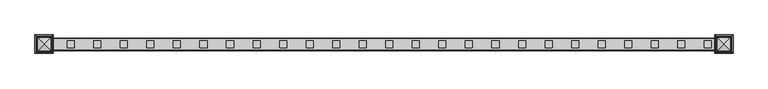
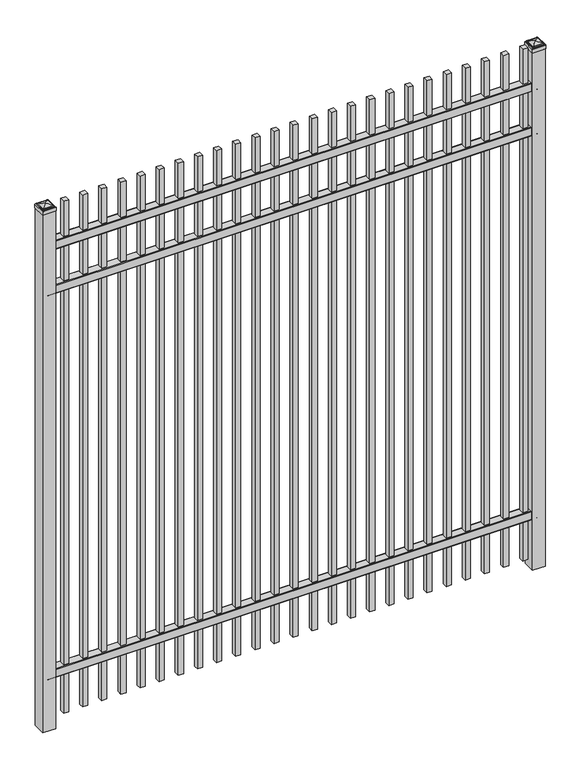
"""IFC4 building model written with IfcOpenShell, lengths in millimetres: railing geometry."""

from ifc_helpers import new_model, si_unit, point, frame, frame_2d, origin, origin_with_axes, place, context, project, spatial, polyline, circle_curve, ellipse_curve, trimmed, segment, composite_curve, outline, extrude, source, transform, mapped, element, save
from ifc_brep_helpers import plane_surface, cylinder_surface, advanced_brep


def railing_30c58a3b(model_context):
    return source(origin(), model_context, "Body", "SolidModel", [
        extrude(outline(composite_curve([segment(polyline([(5777.9139761, 304.8), (5815.969541, 304.8)]), True, "CONTINUOUS"), segment(trimmed(circle_curve(frame_2d((5815.969541, 301.625)), 3.175), [point((5815.969541, 304.8))], [point((5819.144541, 301.625))], False, "CARTESIAN"), True, "CONTINUOUS"), segment(polyline([(5819.144541, 301.625), (5819.144541, 262.1439893)]), True, "CONTINUOUS"), segment(trimmed(circle_curve(frame_2d((5817.3505518, 262.1439893)), 1.7939893), [point((5819.144541, 262.1439893))], [point((5817.3505518, 260.35))], False, "CARTESIAN"), True, "CONTINUOUS"), segment(polyline([(5817.3505518, 260.35), (5814.7590713, 260.35)]), True, "CONTINUOUS"), segment(trimmed(circle_curve(frame_2d((5814.7590713, 262.1359375)), 1.7859375), [point((5814.7590713, 260.35))], [point((5812.9755813, 262.0424688))], False, "CARTESIAN"), True, "CONTINUOUS"), segment(polyline([(5812.9755813, 262.0424688), (5811.4025867, 292.0569942), (5782.4364954, 292.0569942), (5780.8635007, 262.0424688)]), True, "CONTINUOUS"), segment(trimmed(circle_curve(frame_2d((5779.0800108, 262.1359375)), 1.7859375), [point((5780.8635007, 262.0424688))], [point((5779.0800108, 260.35))], False, "CARTESIAN"), True, "CONTINUOUS"), segment(polyline([(5779.0800108, 260.35), (5776.4804785, 260.35)]), True, "CONTINUOUS"), segment(trimmed(circle_curve(frame_2d((5776.4804785, 262.1359375)), 1.7859375), [point((5776.4804785, 260.35))], [point((5774.694541, 262.1359375))], False, "CARTESIAN"), True, "CONTINUOUS"), segment(polyline([(5774.694541, 262.1359375), (5774.694541, 301.5805649)]), True, "CONTINUOUS"), segment(trimmed(circle_curve(frame_2d((5777.9139761, 301.5805649)), 3.2194351), [point((5774.694541, 301.5805649))], [point((5777.9139761, 304.8))], False, "CARTESIAN"), True, "CONTINUOUS")], self_intersect=False)), frame((6913.3350064, 0.0, 0.0), z_axis=(1.0, 0.0, 0.0), x_axis=(0.0, 1.0, 0.0)), (0.0, 0.0, 1.0), 2438.4),
        extrude(outline(composite_curve([segment(polyline([(5777.9139761, 2324.1), (5815.969541, 2324.1)]), True, "CONTINUOUS"), segment(trimmed(circle_curve(frame_2d((5815.969541, 2320.925)), 3.175), [point((5815.969541, 2324.1))], [point((5819.144541, 2320.925))], False, "CARTESIAN"), True, "CONTINUOUS"), segment(polyline([(5819.144541, 2320.925), (5819.144541, 2281.4439893)]), True, "CONTINUOUS"), segment(trimmed(circle_curve(frame_2d((5817.3505518, 2281.4439893)), 1.7939893), [point((5819.144541, 2281.4439893))], [point((5817.3505518, 2279.65))], False, "CARTESIAN"), True, "CONTINUOUS"), segment(polyline([(5817.3505518, 2279.65), (5814.7590713, 2279.65)]), True, "CONTINUOUS"), segment(trimmed(circle_curve(frame_2d((5814.7590713, 2281.4359375)), 1.7859375), [point((5814.7590713, 2279.65))], [point((5812.9755813, 2281.3424688))], False, "CARTESIAN"), True, "CONTINUOUS"), segment(polyline([(5812.9755813, 2281.3424688), (5811.4025867, 2311.3569942), (5782.4364954, 2311.3569942), (5780.8635007, 2281.3424688)]), True, "CONTINUOUS"), segment(trimmed(circle_curve(frame_2d((5779.0800108, 2281.4359375)), 1.7859375), [point((5780.8635007, 2281.3424688))], [point((5779.0800108, 2279.65))], False, "CARTESIAN"), True, "CONTINUOUS"), segment(polyline([(5779.0800108, 2279.65), (5776.4804785, 2279.65)]), True, "CONTINUOUS"), segment(trimmed(circle_curve(frame_2d((5776.4804785, 2281.4359375)), 1.7859375), [point((5776.4804785, 2279.65))], [point((5774.694541, 2281.4359375))], False, "CARTESIAN"), True, "CONTINUOUS"), segment(polyline([(5774.694541, 2281.4359375), (5774.694541, 2320.8805649)]), True, "CONTINUOUS"), segment(trimmed(circle_curve(frame_2d((5777.9139761, 2320.8805649)), 3.2194351), [point((5774.694541, 2320.8805649))], [point((5777.9139761, 2324.1))], False, "CARTESIAN"), True, "CONTINUOUS")], self_intersect=False)), frame((6913.3350064, 0.0, 0.0), z_axis=(1.0, 0.0, 0.0), x_axis=(0.0, 1.0, 0.0)), (0.0, 0.0, 1.0), 2438.4),
        extrude(outline(composite_curve([segment(polyline([(5777.9139761, 2557.4625), (5815.969541, 2557.4625)]), True, "CONTINUOUS"), segment(trimmed(circle_curve(frame_2d((5815.969541, 2554.2875)), 3.175), [point((5815.969541, 2557.4625))], [point((5819.144541, 2554.2875))], False, "CARTESIAN"), True, "CONTINUOUS"), segment(polyline([(5819.144541, 2554.2875), (5819.144541, 2514.8064893)]), True, "CONTINUOUS"), segment(trimmed(circle_curve(frame_2d((5817.3505518, 2514.8064893)), 1.7939893), [point((5819.144541, 2514.8064893))], [point((5817.3505518, 2513.0125))], False, "CARTESIAN"), True, "CONTINUOUS"), segment(polyline([(5817.3505518, 2513.0125), (5814.7590713, 2513.0125)]), True, "CONTINUOUS"), segment(trimmed(circle_curve(frame_2d((5814.7590713, 2514.7984375)), 1.7859375), [point((5814.7590713, 2513.0125))], [point((5812.9755813, 2514.7049688))], False, "CARTESIAN"), True, "CONTINUOUS"), segment(polyline([(5812.9755813, 2514.7049688), (5811.4025867, 2544.7194942), (5782.4364954, 2544.7194942), (5780.8635007, 2514.7049688)]), True, "CONTINUOUS"), segment(trimmed(circle_curve(frame_2d((5779.0800108, 2514.7984375)), 1.7859375), [point((5780.8635007, 2514.7049688))], [point((5779.0800108, 2513.0125))], False, "CARTESIAN"), True, "CONTINUOUS"), segment(polyline([(5779.0800108, 2513.0125), (5776.4804785, 2513.0125)]), True, "CONTINUOUS"), segment(trimmed(circle_curve(frame_2d((5776.4804785, 2514.7984375)), 1.7859375), [point((5776.4804785, 2513.0125))], [point((5774.694541, 2514.7984375))], False, "CARTESIAN"), True, "CONTINUOUS"), segment(polyline([(5774.694541, 2514.7984375), (5774.694541, 2554.2430649)]), True, "CONTINUOUS"), segment(trimmed(circle_curve(frame_2d((5777.9139761, 2554.2430649)), 3.2194351), [point((5774.694541, 2554.2430649))], [point((5777.9139761, 2557.4625))], False, "CARTESIAN"), True, "CONTINUOUS")], self_intersect=False)), frame((6913.3350064, 0.0, 0.0), z_axis=(1.0, 0.0, 0.0), x_axis=(0.0, 1.0, 0.0)), (0.0, 0.0, 1.0), 2438.4),
        extrude(outline(polyline([(9281.8850064, 5809.619541), (9307.2850064, 5809.619541), (9307.2850064, 5784.219541), (9281.8850064, 5784.219541), (9281.8850064, 5809.619541)])), frame((0.0, 0.0, 50.8), z_axis=(0.0, 0.0, 1.0), x_axis=(1.0, 0.0, 0.0)), (0.0, 0.0, 1.0), 2692.4),
        extrude(outline(polyline([(9186.6350064, 5809.619541), (9212.0350064, 5809.619541), (9212.0350064, 5784.219541), (9186.6350064, 5784.219541), (9186.6350064, 5809.619541)])), frame((0.0, 0.0, 50.8), z_axis=(0.0, 0.0, 1.0), x_axis=(1.0, 0.0, 0.0)), (0.0, 0.0, 1.0), 2692.4),
        extrude(outline(polyline([(9091.3850064, 5809.619541), (9116.7850064, 5809.619541), (9116.7850064, 5784.219541), (9091.3850064, 5784.219541), (9091.3850064, 5809.619541)])), frame((0.0, 0.0, 50.8), z_axis=(0.0, 0.0, 1.0), x_axis=(1.0, 0.0, 0.0)), (0.0, 0.0, 1.0), 2692.4),
        extrude(outline(polyline([(8996.1350064, 5809.619541), (9021.5350064, 5809.619541), (9021.5350064, 5784.219541), (8996.1350064, 5784.219541), (8996.1350064, 5809.619541)])), frame((0.0, 0.0, 50.8), z_axis=(0.0, 0.0, 1.0), x_axis=(1.0, 0.0, 0.0)), (0.0, 0.0, 1.0), 2692.4),
        extrude(outline(polyline([(8900.8850064, 5809.619541), (8926.2850064, 5809.619541), (8926.2850064, 5784.219541), (8900.8850064, 5784.219541), (8900.8850064, 5809.619541)])), frame((0.0, 0.0, 50.8), z_axis=(0.0, 0.0, 1.0), x_axis=(1.0, 0.0, 0.0)), (0.0, 0.0, 1.0), 2692.4),
        extrude(outline(polyline([(8805.6350064, 5809.619541), (8831.0350064, 5809.619541), (8831.0350064, 5784.219541), (8805.6350064, 5784.219541), (8805.6350064, 5809.619541)])), frame((0.0, 0.0, 50.8), z_axis=(0.0, 0.0, 1.0), x_axis=(1.0, 0.0, 0.0)), (0.0, 0.0, 1.0), 2692.4),
        extrude(outline(polyline([(8710.3850064, 5809.619541), (8735.7850064, 5809.619541), (8735.7850064, 5784.219541), (8710.3850064, 5784.219541), (8710.3850064, 5809.619541)])), frame((0.0, 0.0, 50.8), z_axis=(0.0, 0.0, 1.0), x_axis=(1.0, 0.0, 0.0)), (0.0, 0.0, 1.0), 2692.4),
        extrude(outline(polyline([(8615.1350064, 5809.619541), (8640.5350064, 5809.619541), (8640.5350064, 5784.219541), (8615.1350064, 5784.219541), (8615.1350064, 5809.619541)])), frame((0.0, 0.0, 50.8), z_axis=(0.0, 0.0, 1.0), x_axis=(1.0, 0.0, 0.0)), (0.0, 0.0, 1.0), 2692.4),
        extrude(outline(polyline([(8519.8850064, 5809.619541), (8545.2850064, 5809.619541), (8545.2850064, 5784.219541), (8519.8850064, 5784.219541), (8519.8850064, 5809.619541)])), frame((0.0, 0.0, 50.8), z_axis=(0.0, 0.0, 1.0), x_axis=(1.0, 0.0, 0.0)), (0.0, 0.0, 1.0), 2692.4),
        extrude(outline(polyline([(8424.6350064, 5809.619541), (8450.0350064, 5809.619541), (8450.0350064, 5784.219541), (8424.6350064, 5784.219541), (8424.6350064, 5809.619541)])), frame((0.0, 0.0, 50.8), z_axis=(0.0, 0.0, 1.0), x_axis=(1.0, 0.0, 0.0)), (0.0, 0.0, 1.0), 2692.4),
        extrude(outline(polyline([(8329.3850064, 5809.619541), (8354.7850064, 5809.619541), (8354.7850064, 5784.219541), (8329.3850064, 5784.219541), (8329.3850064, 5809.619541)])), frame((0.0, 0.0, 50.8), z_axis=(0.0, 0.0, 1.0), x_axis=(1.0, 0.0, 0.0)), (0.0, 0.0, 1.0), 2692.4),
        extrude(outline(polyline([(8234.1350064, 5809.619541), (8259.5350064, 5809.619541), (8259.5350064, 5784.219541), (8234.1350064, 5784.219541), (8234.1350064, 5809.619541)])), frame((0.0, 0.0, 50.8), z_axis=(0.0, 0.0, 1.0), x_axis=(1.0, 0.0, 0.0)), (0.0, 0.0, 1.0), 2692.4),
        extrude(outline(polyline([(8138.8850064, 5809.619541), (8164.2850064, 5809.619541), (8164.2850064, 5784.219541), (8138.8850064, 5784.219541), (8138.8850064, 5809.619541)])), frame((0.0, 0.0, 50.8), z_axis=(0.0, 0.0, 1.0), x_axis=(1.0, 0.0, 0.0)), (0.0, 0.0, 1.0), 2692.4),
        extrude(outline(polyline([(8043.6350064, 5809.619541), (8069.0350064, 5809.619541), (8069.0350064, 5784.219541), (8043.6350064, 5784.219541), (8043.6350064, 5809.619541)])), frame((0.0, 0.0, 50.8), z_axis=(0.0, 0.0, 1.0), x_axis=(1.0, 0.0, 0.0)), (0.0, 0.0, 1.0), 2692.4),
        extrude(outline(polyline([(7948.3850064, 5809.619541), (7973.7850064, 5809.619541), (7973.7850064, 5784.219541), (7948.3850064, 5784.219541), (7948.3850064, 5809.619541)])), frame((0.0, 0.0, 50.8), z_axis=(0.0, 0.0, 1.0), x_axis=(1.0, 0.0, 0.0)), (0.0, 0.0, 1.0), 2692.4),
        extrude(outline(polyline([(7853.1350064, 5809.619541), (7878.5350064, 5809.619541), (7878.5350064, 5784.219541), (7853.1350064, 5784.219541), (7853.1350064, 5809.619541)])), frame((0.0, 0.0, 50.8), z_axis=(0.0, 0.0, 1.0), x_axis=(1.0, 0.0, 0.0)), (0.0, 0.0, 1.0), 2692.4),
        extrude(outline(polyline([(7757.8850064, 5809.619541), (7783.2850064, 5809.619541), (7783.2850064, 5784.219541), (7757.8850064, 5784.219541), (7757.8850064, 5809.619541)])), frame((0.0, 0.0, 50.8), z_axis=(0.0, 0.0, 1.0), x_axis=(1.0, 0.0, 0.0)), (0.0, 0.0, 1.0), 2692.4),
        extrude(outline(polyline([(7662.6350064, 5809.619541), (7688.0350064, 5809.619541), (7688.0350064, 5784.219541), (7662.6350064, 5784.219541), (7662.6350064, 5809.619541)])), frame((0.0, 0.0, 50.8), z_axis=(0.0, 0.0, 1.0), x_axis=(1.0, 0.0, 0.0)), (0.0, 0.0, 1.0), 2692.4),
        extrude(outline(polyline([(7567.3850064, 5809.619541), (7592.7850064, 5809.619541), (7592.7850064, 5784.219541), (7567.3850064, 5784.219541), (7567.3850064, 5809.619541)])), frame((0.0, 0.0, 50.8), z_axis=(0.0, 0.0, 1.0), x_axis=(1.0, 0.0, 0.0)), (0.0, 0.0, 1.0), 2692.4),
        extrude(outline(polyline([(7472.1350064, 5809.619541), (7497.5350064, 5809.619541), (7497.5350064, 5784.219541), (7472.1350064, 5784.219541), (7472.1350064, 5809.619541)])), frame((0.0, 0.0, 50.8), z_axis=(0.0, 0.0, 1.0), x_axis=(1.0, 0.0, 0.0)), (0.0, 0.0, 1.0), 2692.4),
        extrude(outline(polyline([(7376.8850064, 5809.619541), (7402.2850064, 5809.619541), (7402.2850064, 5784.219541), (7376.8850064, 5784.219541), (7376.8850064, 5809.619541)])), frame((0.0, 0.0, 50.8), z_axis=(0.0, 0.0, 1.0), x_axis=(1.0, 0.0, 0.0)), (0.0, 0.0, 1.0), 2692.4),
        extrude(outline(polyline([(7281.6350064, 5809.619541), (7307.0350064, 5809.619541), (7307.0350064, 5784.219541), (7281.6350064, 5784.219541), (7281.6350064, 5809.619541)])), frame((0.0, 0.0, 50.8), z_axis=(0.0, 0.0, 1.0), x_axis=(1.0, 0.0, 0.0)), (0.0, 0.0, 1.0), 2692.4),
        extrude(outline(polyline([(7186.3850064, 5809.619541), (7211.7850064, 5809.619541), (7211.7850064, 5784.219541), (7186.3850064, 5784.219541), (7186.3850064, 5809.619541)])), frame((0.0, 0.0, 50.8), z_axis=(0.0, 0.0, 1.0), x_axis=(1.0, 0.0, 0.0)), (0.0, 0.0, 1.0), 2692.4),
        extrude(outline(polyline([(7091.1350064, 5809.619541), (7116.5350064, 5809.619541), (7116.5350064, 5784.219541), (7091.1350064, 5784.219541), (7091.1350064, 5809.619541)])), frame((0.0, 0.0, 50.8), z_axis=(0.0, 0.0, 1.0), x_axis=(1.0, 0.0, 0.0)), (0.0, 0.0, 1.0), 2692.4),
        extrude(outline(polyline([(6995.8850064, 5809.619541), (7021.2850064, 5809.619541), (7021.2850064, 5784.219541), (6995.8850064, 5784.219541), (6995.8850064, 5809.619541)])), frame((0.0, 0.0, 50.8), z_axis=(0.0, 0.0, 1.0), x_axis=(1.0, 0.0, 0.0)), (0.0, 0.0, 1.0), 2692.4),
        extrude(outline(polyline([(9383.4850064, 5828.669541), (9383.4850064, 5765.169541), (9319.9850064, 5765.169541), (9319.9850064, 5828.669541), (9383.4850064, 5828.669541)])), origin_with_axes(), (0.0, 0.0, 1.0), 2722.5625),
        advanced_brep(
        [(9318.3975064, 5830.257041, 2740.81875), (9318.3975064, 5830.257041, 2722.5625), (9318.3975064, 5763.582041, 2722.5625), (9318.3975064, 5763.582041, 2740.81875), (9320.7787564, 5827.875791, 2743.2), (9320.7787564, 5765.963291, 2743.2), (9323.1600064, 5825.494541, 2745.58125), (9323.1600064, 5825.494541, 2743.2), (9323.1600064, 5768.344541, 2743.2), (9323.1600064, 5768.344541, 2745.58125), (9325.5412564, 5823.113291, 2747.9625), (9325.5412564, 5770.725791, 2747.9625), (9351.7350064, 5796.919541, 2754.3125), (9327.9225064, 5820.732041, 2747.9625), (9327.9225064, 5773.107041, 2747.9625), (9385.0725064, 5763.582041, 2722.5625), (9385.0725064, 5763.582041, 2740.81875), (9382.6912564, 5765.963291, 2743.2), (9380.3100064, 5768.344541, 2743.2), (9380.3100064, 5768.344541, 2745.58125), (9377.9287564, 5770.725791, 2747.9625), (9375.5475064, 5773.107041, 2747.9625), (9385.0725064, 5830.257041, 2722.5625), (9385.0725064, 5830.257041, 2740.81875), (9382.6912564, 5827.875791, 2743.2), (9380.3100064, 5825.494541, 2743.2), (9380.3100064, 5825.494541, 2745.58125), (9377.9287564, 5823.113291, 2747.9625), (9375.5475064, 5820.732041, 2747.9625)],
        [
            (0, 1),
            (1, 2),
            (2, 3),
            (3, 0),
            (4, 0, ellipse_curve(frame((9320.7787564, 5827.875791, 2740.81875), z_axis=(-0.70710678118655, -0.7071067811865449, 0.0), x_axis=(-0.7071067811865448, 0.7071067811865501, 0.0)), 3.367596, 2.38125)),
            (3, 5, ellipse_curve(frame((9320.7787564, 5765.963291, 2740.81875), z_axis=(-0.7071067811865449, 0.70710678118655, 0.0), x_axis=(0.7071067811865499, 0.707106781186545, 0.0)), 3.367596, 2.38125)),
            (5, 4),
            (6, 7),
            (7, 8),
            (8, 9),
            (9, 6),
            (10, 6, ellipse_curve(frame((9325.5412564, 5823.113291, 2745.58125), z_axis=(-0.70710678118655, -0.7071067811865449, 0.0), x_axis=(-0.7071067811865448, 0.7071067811865501, 0.0)), 3.367596, 2.38125)),
            (9, 11, ellipse_curve(frame((9325.5412564, 5770.725791, 2745.58125), z_axis=(-0.7071067811865449, 0.70710678118655, 0.0), x_axis=(0.7071067811865499, 0.707106781186545, 0.0)), 3.367596, 2.38125)),
            (11, 10),
            (12, 13, ellipse_curve(frame((9351.7350064, 5796.919541, 2706.4890625), z_axis=(-0.70710678118655, -0.7071067811865449, 0.0), x_axis=(-0.7071067811865448, 0.7071067811865501, 0.0)), 67.6325539, 47.8234375)),
            (13, 14),
            (14, 12, ellipse_curve(frame((9351.7350064, 5796.919541, 2706.4890625), z_axis=(-0.7071067811865449, 0.70710678118655, 0.0), x_axis=(0.7071067811865499, 0.707106781186545, 0.0)), 67.6325539, 47.8234375)),
            (2, 15),
            (15, 16),
            (16, 3),
            (16, 17, ellipse_curve(frame((9382.6912564, 5765.963291, 2740.81875), z_axis=(-0.70710678118655, -0.707106781186545, 0.0), x_axis=(-0.707106781186545, 0.70710678118655, 0.0)), 3.367596, 2.38125)),
            (17, 5),
            (8, 18),
            (18, 19),
            (19, 9),
            (19, 20, ellipse_curve(frame((9377.9287564, 5770.725791, 2745.58125), z_axis=(-0.70710678118655, -0.707106781186545, 0.0), x_axis=(-0.707106781186545, 0.70710678118655, 0.0)), 3.367596, 2.38125)),
            (20, 11),
            (14, 21),
            (21, 12, ellipse_curve(frame((9351.7350064, 5796.919541, 2706.4890625), z_axis=(-0.70710678118655, -0.707106781186545, 0.0), x_axis=(-0.707106781186545, 0.70710678118655, 0.0)), 67.6325539, 47.8234375)),
            (15, 22),
            (22, 23),
            (23, 16),
            (23, 24, ellipse_curve(frame((9382.6912564, 5827.875791, 2740.81875), z_axis=(0.707106781186545, -0.7071067811865499, 0.0), x_axis=(-0.7071067811865497, -0.7071067811865452, 0.0)), 3.367596, 2.38125)),
            (24, 17),
            (18, 25),
            (25, 26),
            (26, 19),
            (26, 27, ellipse_curve(frame((9377.9287564, 5823.113291, 2745.58125), z_axis=(0.707106781186545, -0.7071067811865499, 0.0), x_axis=(-0.7071067811865497, -0.7071067811865452, 0.0)), 3.367596, 2.38125)),
            (27, 20),
            (21, 28),
            (28, 12, ellipse_curve(frame((9351.7350064, 5796.919541, 2706.4890625), z_axis=(0.707106781186545, -0.7071067811865499, 0.0), x_axis=(-0.7071067811865497, -0.7071067811865452, 0.0)), 67.6325539, 47.8234375)),
            (22, 1),
            (0, 23),
            (4, 24),
            (7, 25),
            (6, 26),
            (10, 27),
            (13, 28),
        ],
        [
            plane_surface(frame((9318.3975064, 5830.257041, 2722.5625), z_axis=(-1.0, 0.0, 0.0), x_axis=(0.0, -1.0, 0.0))),
            cylinder_surface(frame((9320.7787564, 5828.669541, 2740.81875), z_axis=(0.0, 1.0, 0.0), x_axis=(1.0, 0.0, 0.0)), 2.38125),
            plane_surface(frame((9323.1600064, 5825.494541, 2743.2), z_axis=(-1.0, 0.0, 0.0), x_axis=(0.0, -1.0, 0.0))),
            cylinder_surface(frame((9325.5412564, 5828.669541, 2745.58125), z_axis=(0.0, 1.0, 0.0), x_axis=(1.0, 0.0, 0.0)), 2.38125),
            cylinder_surface(frame((9351.7350064, 5828.669541, 2706.4890625), z_axis=(0.0, 1.0, 0.0), x_axis=(1.0, 0.0, 0.0)), 47.8234375),
            plane_surface(frame((9318.3975064, 5763.582041, 2722.5625), z_axis=(0.0, -1.0, 0.0), x_axis=(1.0, 0.0, 0.0))),
            cylinder_surface(frame((9319.9850064, 5765.963291, 2740.81875), z_axis=(-1.0, 0.0, 0.0), x_axis=(0.0, 1.0, 0.0)), 2.38125),
            plane_surface(frame((9323.1600064, 5768.344541, 2743.2), z_axis=(0.0, -1.0, 0.0), x_axis=(1.0, 0.0, 0.0))),
            cylinder_surface(frame((9319.9850064, 5770.725791, 2745.58125), z_axis=(-1.0, 0.0, 0.0), x_axis=(0.0, 1.0, 0.0)), 2.38125),
            cylinder_surface(frame((9319.9850064, 5796.919541, 2706.4890625), z_axis=(-1.0, 0.0, 0.0), x_axis=(0.0, 1.0, 0.0)), 47.8234375),
            plane_surface(frame((9385.0725064, 5763.582041, 2722.5625), z_axis=(1.0, 0.0, 0.0), x_axis=(0.0, 1.0, 0.0))),
            cylinder_surface(frame((9382.6912564, 5765.169541, 2740.81875), z_axis=(0.0, -1.0, 0.0), x_axis=(-1.0, 0.0, 0.0)), 2.38125),
            plane_surface(frame((9380.3100064, 5768.344541, 2743.2), z_axis=(1.0, 0.0, 0.0), x_axis=(0.0, 1.0, 0.0))),
            cylinder_surface(frame((9377.9287564, 5765.169541, 2745.58125), z_axis=(0.0, -1.0, 0.0), x_axis=(-1.0, 0.0, 0.0)), 2.38125),
            cylinder_surface(frame((9351.7350064, 5765.169541, 2706.4890625), z_axis=(0.0, -1.0, 0.0), x_axis=(-1.0, 0.0, 0.0)), 47.8234375),
            plane_surface(frame((9385.0725064, 5830.257041, 2722.5625), z_axis=(0.0, 1.0, 0.0), x_axis=(-1.0, 0.0, 0.0))),
            cylinder_surface(frame((9383.4850064, 5827.875791, 2740.81875), z_axis=(1.0, 0.0, 0.0), x_axis=(0.0, -1.0, 0.0)), 2.38125),
            plane_surface(frame((9382.6912564, 5827.875791, 2743.2), z_axis=(0.0, 0.0, 1.0), x_axis=(-1.0, 0.0, 0.0))),
            plane_surface(frame((9380.3100064, 5825.494541, 2743.2), z_axis=(0.0, 1.0, 0.0), x_axis=(-1.0, 0.0, 0.0))),
            cylinder_surface(frame((9383.4850064, 5823.113291, 2745.58125), z_axis=(1.0, 0.0, 0.0), x_axis=(0.0, -1.0, 0.0)), 2.38125),
            plane_surface(frame((9377.9287564, 5823.113291, 2747.9625), z_axis=(0.0, 0.0, 1.0), x_axis=(-1.0, 0.0, 0.0))),
            cylinder_surface(frame((9383.4850064, 5796.919541, 2706.4890625), z_axis=(1.0, 0.0, 0.0), x_axis=(0.0, -1.0, 0.0)), 47.8234375),
            plane_surface(frame((9351.7350064, 5796.919541, 2722.5625), z_axis=(0.0, 0.0, -1.0), x_axis=(-1.0, 0.0, 0.0))),
        ],
        [
            (0, [[1, 2, 3, 4]]),
            (1, [[5, -4, 6, 7]]),
            (2, [[8, 9, 10, 11]]),
            (3, [[12, -11, 13, 14]]),
            (4, [[15, 16, 17]]),
            (5, [[-3, 18, 19, 20]]),
            (6, [[-6, -20, 21, 22]]),
            (7, [[-10, 23, 24, 25]]),
            (8, [[-13, -25, 26, 27]]),
            (9, [[-17, 28, 29]]),
            (10, [[-19, 30, 31, 32]]),
            (11, [[-21, -32, 33, 34]]),
            (12, [[-24, 35, 36, 37]]),
            (13, [[-26, -37, 38, 39]]),
            (14, [[-29, 40, 41]]),
            (15, [[-31, 42, -1, 43]]),
            (16, [[-33, -43, -5, 44]]),
            (17, [[-22, -34, -44, -7], [45, -35, -23, -9]]),
            (18, [[-36, -45, -8, 46]]),
            (19, [[-38, -46, -12, 47]]),
            (20, [[-27, -39, -47, -14], [48, -40, -28, -16]]),
            (21, [[-41, -48, -15]]),
            (22, [[-42, -30, -18, -2]]),
        ],
    ),
        extrude(outline(polyline([(6945.0850064, 5828.669541), (6945.0850064, 5765.169541), (6881.5850064, 5765.169541), (6881.5850064, 5828.669541), (6945.0850064, 5828.669541)])), origin_with_axes(), (0.0, 0.0, 1.0), 2722.5625),
        advanced_brep(
        [(6879.9975064, 5830.257041, 2740.81875), (6879.9975064, 5830.257041, 2722.5625), (6879.9975064, 5763.582041, 2722.5625), (6879.9975064, 5763.582041, 2740.81875), (6882.3787564, 5827.875791, 2743.2), (6882.3787564, 5765.963291, 2743.2), (6884.7600064, 5825.494541, 2745.58125), (6884.7600064, 5825.494541, 2743.2), (6884.7600064, 5768.344541, 2743.2), (6884.7600064, 5768.344541, 2745.58125), (6887.1412564, 5823.113291, 2747.9625), (6887.1412564, 5770.725791, 2747.9625), (6913.3350064, 5796.919541, 2754.3125), (6889.5225064, 5820.732041, 2747.9625), (6889.5225064, 5773.107041, 2747.9625), (6946.6725064, 5763.582041, 2722.5625), (6946.6725064, 5763.582041, 2740.81875), (6944.2912564, 5765.963291, 2743.2), (6941.9100064, 5768.344541, 2743.2), (6941.9100064, 5768.344541, 2745.58125), (6939.5287564, 5770.725791, 2747.9625), (6937.1475064, 5773.107041, 2747.9625), (6946.6725064, 5830.257041, 2722.5625), (6946.6725064, 5830.257041, 2740.81875), (6944.2912564, 5827.875791, 2743.2), (6941.9100064, 5825.494541, 2743.2), (6941.9100064, 5825.494541, 2745.58125), (6939.5287564, 5823.113291, 2747.9625), (6937.1475064, 5820.732041, 2747.9625)],
        [
            (0, 1),
            (1, 2),
            (2, 3),
            (3, 0),
            (4, 0, ellipse_curve(frame((6882.3787564, 5827.875791, 2740.81875), z_axis=(-0.70710678118655, -0.7071067811865449, 0.0), x_axis=(-0.7071067811865448, 0.7071067811865501, 0.0)), 3.367596, 2.38125)),
            (3, 5, ellipse_curve(frame((6882.3787564, 5765.963291, 2740.81875), z_axis=(-0.7071067811865449, 0.70710678118655, 0.0), x_axis=(0.7071067811865499, 0.707106781186545, 0.0)), 3.367596, 2.38125)),
            (5, 4),
            (6, 7),
            (7, 8),
            (8, 9),
            (9, 6),
            (10, 6, ellipse_curve(frame((6887.1412564, 5823.113291, 2745.58125), z_axis=(-0.70710678118655, -0.7071067811865449, 0.0), x_axis=(-0.7071067811865448, 0.7071067811865501, 0.0)), 3.367596, 2.38125)),
            (9, 11, ellipse_curve(frame((6887.1412564, 5770.725791, 2745.58125), z_axis=(-0.7071067811865449, 0.70710678118655, 0.0), x_axis=(0.7071067811865499, 0.707106781186545, 0.0)), 3.367596, 2.38125)),
            (11, 10),
            (12, 13, ellipse_curve(frame((6913.3350064, 5796.919541, 2706.4890625), z_axis=(-0.70710678118655, -0.7071067811865449, 0.0), x_axis=(-0.7071067811865448, 0.7071067811865501, 0.0)), 67.6325539, 47.8234375)),
            (13, 14),
            (14, 12, ellipse_curve(frame((6913.3350064, 5796.919541, 2706.4890625), z_axis=(-0.7071067811865449, 0.70710678118655, 0.0), x_axis=(0.7071067811865499, 0.707106781186545, 0.0)), 67.6325539, 47.8234375)),
            (2, 15),
            (15, 16),
            (16, 3),
            (16, 17, ellipse_curve(frame((6944.2912564, 5765.963291, 2740.81875), z_axis=(-0.70710678118655, -0.707106781186545, 0.0), x_axis=(-0.707106781186545, 0.70710678118655, 0.0)), 3.367596, 2.38125)),
            (17, 5),
            (8, 18),
            (18, 19),
            (19, 9),
            (19, 20, ellipse_curve(frame((6939.5287564, 5770.725791, 2745.58125), z_axis=(-0.70710678118655, -0.707106781186545, 0.0), x_axis=(-0.707106781186545, 0.70710678118655, 0.0)), 3.367596, 2.38125)),
            (20, 11),
            (14, 21),
            (21, 12, ellipse_curve(frame((6913.3350064, 5796.919541, 2706.4890625), z_axis=(-0.70710678118655, -0.707106781186545, 0.0), x_axis=(-0.707106781186545, 0.70710678118655, 0.0)), 67.6325539, 47.8234375)),
            (15, 22),
            (22, 23),
            (23, 16),
            (23, 24, ellipse_curve(frame((6944.2912564, 5827.875791, 2740.81875), z_axis=(0.707106781186545, -0.7071067811865499, 0.0), x_axis=(-0.7071067811865497, -0.7071067811865452, 0.0)), 3.367596, 2.38125)),
            (24, 17),
            (18, 25),
            (25, 26),
            (26, 19),
            (26, 27, ellipse_curve(frame((6939.5287564, 5823.113291, 2745.58125), z_axis=(0.707106781186545, -0.7071067811865499, 0.0), x_axis=(-0.7071067811865497, -0.7071067811865452, 0.0)), 3.367596, 2.38125)),
            (27, 20),
            (21, 28),
            (28, 12, ellipse_curve(frame((6913.3350064, 5796.919541, 2706.4890625), z_axis=(0.707106781186545, -0.7071067811865499, 0.0), x_axis=(-0.7071067811865497, -0.7071067811865452, 0.0)), 67.6325539, 47.8234375)),
            (22, 1),
            (0, 23),
            (4, 24),
            (7, 25),
            (6, 26),
            (10, 27),
            (13, 28),
        ],
        [
            plane_surface(frame((6879.9975064, 5830.257041, 2722.5625), z_axis=(-1.0, 0.0, 0.0), x_axis=(0.0, -1.0, 0.0))),
            cylinder_surface(frame((6882.3787564, 5828.669541, 2740.81875), z_axis=(0.0, 1.0, 0.0), x_axis=(1.0, 0.0, 0.0)), 2.38125),
            plane_surface(frame((6884.7600064, 5825.494541, 2743.2), z_axis=(-1.0, 0.0, 0.0), x_axis=(0.0, -1.0, 0.0))),
            cylinder_surface(frame((6887.1412564, 5828.669541, 2745.58125), z_axis=(0.0, 1.0, 0.0), x_axis=(1.0, 0.0, 0.0)), 2.38125),
            cylinder_surface(frame((6913.3350064, 5828.669541, 2706.4890625), z_axis=(0.0, 1.0, 0.0), x_axis=(1.0, 0.0, 0.0)), 47.8234375),
            plane_surface(frame((6879.9975064, 5763.582041, 2722.5625), z_axis=(0.0, -1.0, 0.0), x_axis=(1.0, 0.0, 0.0))),
            cylinder_surface(frame((6881.5850064, 5765.963291, 2740.81875), z_axis=(-1.0, 0.0, 0.0), x_axis=(0.0, 1.0, 0.0)), 2.38125),
            plane_surface(frame((6884.7600064, 5768.344541, 2743.2), z_axis=(0.0, -1.0, 0.0), x_axis=(1.0, 0.0, 0.0))),
            cylinder_surface(frame((6881.5850064, 5770.725791, 2745.58125), z_axis=(-1.0, 0.0, 0.0), x_axis=(0.0, 1.0, 0.0)), 2.38125),
            cylinder_surface(frame((6881.5850064, 5796.919541, 2706.4890625), z_axis=(-1.0, 0.0, 0.0), x_axis=(0.0, 1.0, 0.0)), 47.8234375),
            plane_surface(frame((6946.6725064, 5763.582041, 2722.5625), z_axis=(1.0, 0.0, 0.0), x_axis=(0.0, 1.0, 0.0))),
            cylinder_surface(frame((6944.2912564, 5765.169541, 2740.81875), z_axis=(0.0, -1.0, 0.0), x_axis=(-1.0, 0.0, 0.0)), 2.38125),
            plane_surface(frame((6941.9100064, 5768.344541, 2743.2), z_axis=(1.0, 0.0, 0.0), x_axis=(0.0, 1.0, 0.0))),
            cylinder_surface(frame((6939.5287564, 5765.169541, 2745.58125), z_axis=(0.0, -1.0, 0.0), x_axis=(-1.0, 0.0, 0.0)), 2.38125),
            cylinder_surface(frame((6913.3350064, 5765.169541, 2706.4890625), z_axis=(0.0, -1.0, 0.0), x_axis=(-1.0, 0.0, 0.0)), 47.8234375),
            plane_surface(frame((6946.6725064, 5830.257041, 2722.5625), z_axis=(0.0, 1.0, 0.0), x_axis=(-1.0, 0.0, 0.0))),
            cylinder_surface(frame((6945.0850064, 5827.875791, 2740.81875), z_axis=(1.0, 0.0, 0.0), x_axis=(0.0, -1.0, 0.0)), 2.38125),
            plane_surface(frame((6944.2912564, 5827.875791, 2743.2), z_axis=(0.0, 0.0, 1.0), x_axis=(-1.0, 0.0, 0.0))),
            plane_surface(frame((6941.9100064, 5825.494541, 2743.2), z_axis=(0.0, 1.0, 0.0), x_axis=(-1.0, 0.0, 0.0))),
            cylinder_surface(frame((6945.0850064, 5823.113291, 2745.58125), z_axis=(1.0, 0.0, 0.0), x_axis=(0.0, -1.0, 0.0)), 2.38125),
            plane_surface(frame((6939.5287564, 5823.113291, 2747.9625), z_axis=(0.0, 0.0, 1.0), x_axis=(-1.0, 0.0, 0.0))),
            cylinder_surface(frame((6945.0850064, 5796.919541, 2706.4890625), z_axis=(1.0, 0.0, 0.0), x_axis=(0.0, -1.0, 0.0)), 47.8234375),
            plane_surface(frame((6913.3350064, 5796.919541, 2722.5625), z_axis=(0.0, 0.0, -1.0), x_axis=(-1.0, 0.0, 0.0))),
        ],
        [
            (0, [[1, 2, 3, 4]]),
            (1, [[5, -4, 6, 7]]),
            (2, [[8, 9, 10, 11]]),
            (3, [[12, -11, 13, 14]]),
            (4, [[15, 16, 17]]),
            (5, [[-3, 18, 19, 20]]),
            (6, [[-6, -20, 21, 22]]),
            (7, [[-10, 23, 24, 25]]),
            (8, [[-13, -25, 26, 27]]),
            (9, [[-17, 28, 29]]),
            (10, [[-19, 30, 31, 32]]),
            (11, [[-21, -32, 33, 34]]),
            (12, [[-24, 35, 36, 37]]),
            (13, [[-26, -37, 38, 39]]),
            (14, [[-29, 40, 41]]),
            (15, [[-31, 42, -1, 43]]),
            (16, [[-33, -43, -5, 44]]),
            (17, [[-22, -34, -44, -7], [45, -35, -23, -9]]),
            (18, [[-36, -45, -8, 46]]),
            (19, [[-38, -46, -12, 47]]),
            (20, [[-27, -39, -47, -14], [48, -40, -28, -16]]),
            (21, [[-41, -48, -15]]),
            (22, [[-42, -30, -18, -2]]),
        ],
    ),
    ])


if __name__ == "__main__":
    model = new_model("IFC4")
    model_context = context("Model", 3, world=origin())
    ifc_project = project(units=[si_unit("LENGTHUNIT", "METRE", prefix="MILLI")], contexts=[model_context])
    site = spatial("IfcSite", under=ifc_project)
    building = spatial("IfcBuilding", under=site)
    placement = place(None, origin())
    railing_shape = railing_30c58a3b(model_context)
    element("IfcRailing", 1, at=placement, inside=building, context=model_context, shape_type="MappedRepresentation", body=[
        mapped(railing_shape, transform((0.0, 0.0, 0.0), x_axis=(1.0, 0.0, 0.0), y_axis=(0.0, 1.0, 0.0), z_axis=(0.0, 0.0, 1.0))),
    ])
    save(model, "model.ifc")
